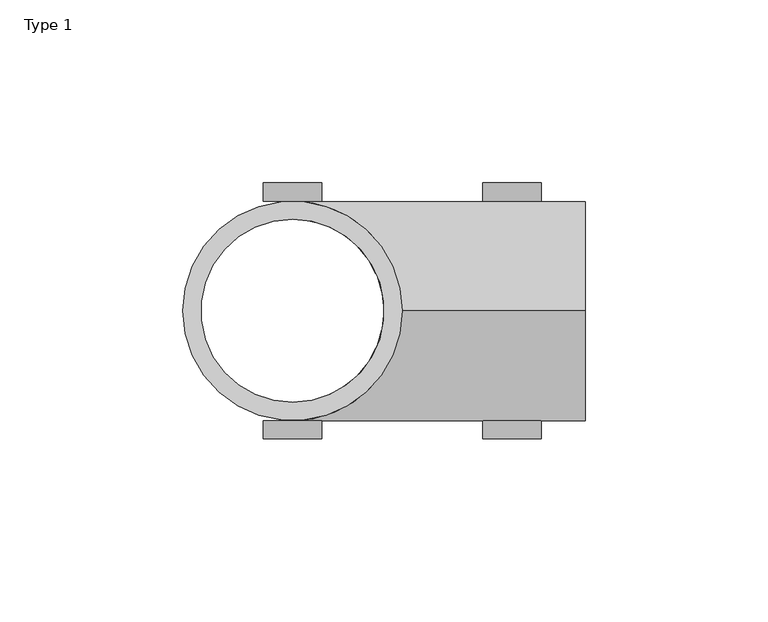
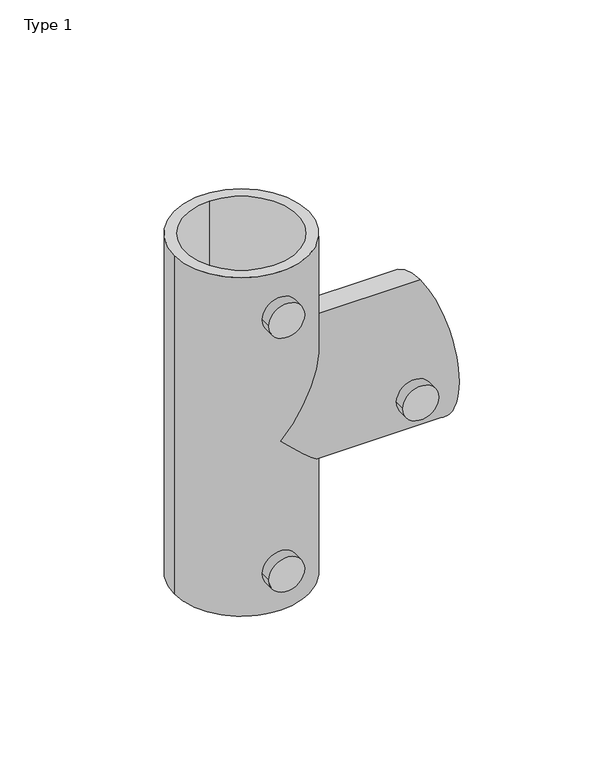
"""IFC4 building model written with IfcOpenShell, lengths in millimetres: proxy geometry, Type 1."""

from ifc_helpers import new_model, si_unit, point, frame, frame_2d, origin, origin_with_axes, place, context, project, spatial, polyline, circle_curve, ellipse_curve, trimmed, segment, composite_curve, outline, extrude, source, transform, mapped, element, save
from ifc_brep_helpers import plane_surface, cylinder_surface, revolved_surface, advanced_brep


def type_1_83db4592(model_context):
    return source(origin(), model_context, "Body", "SolidModel", [
        extrude(outline(composite_curve([segment(trimmed(circle_curve(frame_2d((140.0, 0.0)), 8.0), [point((140.0, -8.0))], [point((140.0, 8.0))], False, "CARTESIAN"), True, "CONTINUOUS"), segment(trimmed(circle_curve(frame_2d((140.0, 0.0)), 8.0), [point((140.0, 8.0))], [point((140.0, -8.0))], False, "CARTESIAN"), True, "CONTINUOUS")], self_intersect=False)), frame((0.0, -35.0, 0.0), z_axis=(0.0, 1.0, 0.0), x_axis=(0.0, 0.0, 1.0)), (0.0, 0.0, 1.0), 5.0),
        extrude(outline(composite_curve([segment(trimmed(circle_curve(frame_2d((80.0, 60.0)), 8.0), [point((80.0, 52.0))], [point((80.0, 68.0))], False, "CARTESIAN"), True, "CONTINUOUS"), segment(trimmed(circle_curve(frame_2d((80.0, 60.0)), 8.0), [point((80.0, 68.0))], [point((80.0, 52.0))], False, "CARTESIAN"), True, "CONTINUOUS")], self_intersect=False)), frame((0.0, -35.0, 0.0), z_axis=(0.0, 1.0, 0.0), x_axis=(0.0, 0.0, 1.0)), (0.0, 0.0, 1.0), 5.0),
        extrude(outline(composite_curve([segment(trimmed(circle_curve(frame_2d((20.0, 0.0)), 8.0), [point((20.0, -8.0))], [point((20.0, 8.0))], False, "CARTESIAN"), True, "CONTINUOUS"), segment(trimmed(circle_curve(frame_2d((20.0, 0.0)), 8.0), [point((20.0, 8.0))], [point((20.0, -8.0))], False, "CARTESIAN"), True, "CONTINUOUS")], self_intersect=False)), frame((0.0, -35.0, 0.0), z_axis=(0.0, 1.0, 0.0), x_axis=(0.0, 0.0, 1.0)), (0.0, 0.0, 1.0), 5.0),
        extrude(outline(composite_curve([segment(trimmed(circle_curve(frame_2d((140.0, 0.0)), 8.0), [point((140.0, -8.0))], [point((140.0, 8.0))], False, "CARTESIAN"), True, "CONTINUOUS"), segment(trimmed(circle_curve(frame_2d((140.0, 0.0)), 8.0), [point((140.0, 8.0))], [point((140.0, -8.0))], False, "CARTESIAN"), True, "CONTINUOUS")], self_intersect=False)), frame((0.0, 30.0, 0.0), z_axis=(0.0, 1.0, 0.0), x_axis=(0.0, 0.0, 1.0)), (0.0, 0.0, 1.0), 5.0),
        extrude(outline(composite_curve([segment(trimmed(circle_curve(frame_2d((80.0, 60.0)), 8.0), [point((80.0, 52.0))], [point((80.0, 68.0))], False, "CARTESIAN"), True, "CONTINUOUS"), segment(trimmed(circle_curve(frame_2d((80.0, 60.0)), 8.0), [point((80.0, 68.0))], [point((80.0, 52.0))], False, "CARTESIAN"), True, "CONTINUOUS")], self_intersect=False)), frame((0.0, 30.0, 0.0), z_axis=(0.0, 1.0, 0.0), x_axis=(0.0, 0.0, 1.0)), (0.0, 0.0, 1.0), 5.0),
        extrude(outline(composite_curve([segment(trimmed(circle_curve(frame_2d((20.0, 0.0)), 8.0), [point((20.0, -8.0))], [point((20.0, 8.0))], False, "CARTESIAN"), True, "CONTINUOUS"), segment(trimmed(circle_curve(frame_2d((20.0, 0.0)), 8.0), [point((20.0, 8.0))], [point((20.0, -8.0))], False, "CARTESIAN"), True, "CONTINUOUS")], self_intersect=False)), frame((0.0, 30.0, 0.0), z_axis=(0.0, 1.0, 0.0), x_axis=(0.0, 0.0, 1.0)), (0.0, 0.0, 1.0), 5.0),
        advanced_brep(
        [(-30.0, 0.0, 160.0), (30.0, 0.0, 160.0), (0.0, 25.0, 160.0), (0.0, -25.0, 160.0), (-30.0, 0.0, 0.0), (30.0, 0.0, 0.0), (0.0, -25.0, 0.0), (0.0, 25.0, 0.0), (30.0, 0.0, 110.0), (0.0, 30.0, 80.0), (30.0, 0.0, 50.0), (0.0, -30.0, 80.0), (80.0, 0.0, 110.0), (80.0, 0.0, 50.0), (80.0, 0.0, 105.0), (80.0, 0.0, 55.0), (25.0, 0.0, 55.0), (0.0, -25.0, 80.0), (25.0, 0.0, 105.0), (0.0, 25.0, 80.0)],
        [
            (0, 1, circle_curve(frame((0.0, 0.0, 160.0), z_axis=(0.0, 0.0, 1.0), x_axis=(1.0, 0.0, 0.0)), 30.0)),
            (1, 0, circle_curve(frame((0.0, 0.0, 160.0), z_axis=(0.0, 0.0, 1.0), x_axis=(1.0, 0.0, 0.0)), 30.0)),
            (2, 3, circle_curve(frame((0.0, 0.0, 160.0), z_axis=(0.0, 0.0, -1.0), x_axis=(0.0, -1.0, 0.0)), 25.0)),
            (3, 2, circle_curve(frame((0.0, 0.0, 160.0), z_axis=(0.0, 0.0, -1.0), x_axis=(0.0, -1.0, 0.0)), 25.0)),
            (4, 5, circle_curve(frame((0.0, 0.0, 0.0), z_axis=(0.0, 0.0, -1.0), x_axis=(1.0, 0.0, 0.0)), 30.0)),
            (5, 4, circle_curve(frame((0.0, 0.0, 0.0), z_axis=(0.0, 0.0, -1.0), x_axis=(1.0, 0.0, 0.0)), 30.0)),
            (6, 7, circle_curve(frame((0.0, 0.0, 0.0), z_axis=(0.0, 0.0, 1.0), x_axis=(0.0, -1.0, 0.0)), 25.0)),
            (7, 6, circle_curve(frame((0.0, 0.0, 0.0), z_axis=(0.0, 0.0, 1.0), x_axis=(0.0, -1.0, 0.0)), 25.0)),
            (1, 8),
            (8, 9, ellipse_curve(frame((0.0, 0.0, 80.0), z_axis=(-0.707106781186547, 0.0, 0.707106781186548), x_axis=(0.707106781186548, 0.0, 0.7071067811865469)), 42.4264069, 30.0)),
            (9, 10, ellipse_curve(frame((0.0, 0.0, 80.0), z_axis=(-0.707106781186548, 0.0, -0.707106781186547), x_axis=(-0.7071067811865469, 0.0, 0.707106781186548)), 42.4264069, 30.0)),
            (10, 5),
            (4, 0),
            (10, 11, ellipse_curve(frame((0.0, 0.0, 80.0), z_axis=(-0.707106781186548, 0.0, -0.707106781186547), x_axis=(-0.7071067811865469, 0.0, 0.707106781186548)), 42.4264069, 30.0)),
            (11, 8, ellipse_curve(frame((0.0, 0.0, 80.0), z_axis=(-0.707106781186547, 0.0, 0.707106781186548), x_axis=(0.707106781186548, 0.0, 0.7071067811865469)), 42.4264069, 30.0)),
            (12, 13, circle_curve(frame((80.0, 0.0, 80.0), z_axis=(1.0, 0.0, 0.0), x_axis=(0.0, 0.0, -1.0)), 30.0)),
            (13, 12, circle_curve(frame((80.0, 0.0, 80.0), z_axis=(1.0, 0.0, 0.0), x_axis=(0.0, 0.0, -1.0)), 30.0)),
            (14, 15, circle_curve(frame((80.0, 0.0, 80.0), z_axis=(-1.0, 0.0, 0.0), x_axis=(0.0, 0.0, 1.0)), 25.0)),
            (15, 14, circle_curve(frame((80.0, 0.0, 80.0), z_axis=(-1.0, 0.0, 0.0), x_axis=(0.0, 0.0, 1.0)), 25.0)),
            (12, 8),
            (10, 13),
            (15, 16),
            (16, 17, ellipse_curve(frame((0.0, 0.0, 80.0), z_axis=(-0.707106781186548, 0.0, -0.7071067811865469), x_axis=(0.707106781186547, 0.0, -0.7071067811865478)), 35.3553391, 25.0)),
            (17, 18, ellipse_curve(frame((0.0, 0.0, 80.0), z_axis=(-0.7071067811865469, 0.0, 0.707106781186548), x_axis=(0.7071067811865482, 0.0, 0.7071067811865468)), 35.3553391, 25.0)),
            (18, 14),
            (18, 19, ellipse_curve(frame((0.0, 0.0, 80.0), z_axis=(-0.7071067811865469, 0.0, 0.707106781186548), x_axis=(0.7071067811865482, 0.0, 0.7071067811865468)), 35.3553391, 25.0)),
            (19, 16, ellipse_curve(frame((0.0, 0.0, 80.0), z_axis=(-0.707106781186548, 0.0, -0.7071067811865469), x_axis=(0.707106781186547, 0.0, -0.7071067811865478)), 35.3553391, 25.0)),
            (7, 19),
            (19, 2),
            (3, 17),
            (17, 6),
        ],
        [
            plane_surface(frame((30.0, 0.0, 160.0), z_axis=(0.0, 0.0, 1.0), x_axis=(0.0, -1.0, 0.0))),
            plane_surface(frame((30.0, 0.0, 0.0), z_axis=(0.0, 0.0, -1.0), x_axis=(0.0, 1.0, 0.0))),
            cylinder_surface(origin_with_axes(), 30.0),
            plane_surface(frame((80.0, 0.0, 50.0), z_axis=(1.0, 0.0, 0.0), x_axis=(0.0, -1.0, 0.0))),
            cylinder_surface(frame((80.0, 0.0, 80.0), z_axis=(-1.0, 0.0, 0.0), x_axis=(0.0, 0.0, -1.0)), 30.0),
            revolved_surface(polyline([(80.0, 0.0, 105.0), (-25.000000028759914, 0.0, 105.0)]), (0.0, 0.0, 80.0), (1.0, 0.0, 0.0)),
            revolved_surface(polyline([(0.0, -25.0, 0.0), (0.0, -25.0, 160.0)]), (0.0, 0.0, 160.0), (0.0, 0.0, -1.0)),
            revolved_surface(polyline([(0.0, -25.0, 54.99999997124013), (0.0, -25.0, 160.0)]), (0.0, 0.0, 160.0), (0.0, 0.0, -1.0)),
            revolved_surface(polyline([(0.0, -25.0, 0.0), (0.0, -25.0, 105.0000000287599)]), (0.0, 0.0, 160.0), (0.0, 0.0, -1.0)),
        ],
        [
            (0, [[1, 2], [3, 4]]),
            (1, [[5, 6], [7, 8]]),
            (2, [[9, 10, 11, 12, -5, 13, -2]]),
            (2, [[-13, -6, -12, 14, 15, -9, -1]]),
            (3, [[16, 17], [18, 19]]),
            (4, [[20, -15, -14, 21, -16]]),
            (4, [[-21, -11, -10, -20, -17]]),
            (5, [[22, 23, 24, 25, -19]]),
            (5, [[-25, 26, 27, -22, -18]]),
            (6, [[-8, 28, 29, -4, 30, 31]]),
            (7, [[-3, -29, -26, -24, -30]]),
            (8, [[-23, -27, -28, -7, -31]]),
        ],
    ),
    ])


if __name__ == "__main__":
    model = new_model("IFC4")
    model_context = context("Model", 3, world=origin())
    ifc_project = project(units=[si_unit("LENGTHUNIT", "METRE", prefix="MILLI")], contexts=[model_context])
    site = spatial("IfcSite", under=ifc_project)
    building = spatial("IfcBuilding", under=site)
    placement = place(None, origin())
    type_1_shape = type_1_83db4592(model_context)
    element("IfcBuildingElementProxy", 1, Name="Type 1", ObjectType="Type 1", at=placement, inside=building, context=model_context, shape_type="MappedRepresentation", body=[
        mapped(type_1_shape, transform((0.0, 0.0, 0.0), x_axis=(1.0, 0.0, 0.0), y_axis=(0.0, 1.0, 0.0), z_axis=(0.0, 0.0, 1.0))),
    ])
    save(model, "model.ifc")
